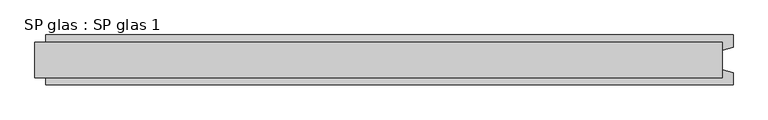
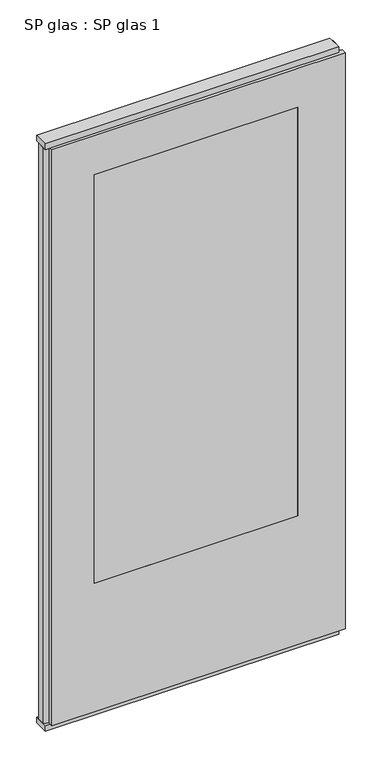
"""IFC4 building model written with IfcOpenShell, lengths in millimetres: plate geometry, SP glas : SP glas 1."""

from ifc_helpers import new_model, si_unit, frame, origin, origin_with_axes, place, context, project, spatial, polyline, outline, extrude, faceted_brep, source, transform, mapped, element, save


def sp_glas_sp_glas_1_cfe92fd9(model_context):
    return source(origin(), model_context, "Body", "SolidModel", [
        extrude(outline(polyline([(620.0, 32.0), (620.0, -32.0), (-620.0, -32.0), (-620.0, 32.0), (620.0, 32.0)])), origin_with_axes(), (0.0, 0.0, 1.0), 25.0),
        extrude(outline(polyline([(620.0, 32.0), (620.0, -32.0), (-620.0, -32.0), (-620.0, 32.0), (620.0, 32.0)])), frame((0.0, 0.0, 2602.0), z_axis=(0.0, 0.0, 1.0), x_axis=(1.0, 0.0, 0.0)), (0.0, 0.0, 1.0), 25.0),
        faceted_brep([(640.0, 45.0, 25.0), (640.0, 22.9993165, 25.0), (620.0, 17.6401049, 25.0), (620.0, -17.6401049, 25.0), (640.0, -22.9993165, 25.0), (640.0, -45.0, 25.0), (-600.0, -45.0, 25.0), (-600.0, -22.9993165, 25.0), (-620.0, -17.6401049, 25.0), (-620.0, 17.6401049, 25.0), (-600.0, 22.9993165, 25.0), (-600.0, 45.0, 25.0), (640.0, 45.0, 2602.0), (640.0, 22.9993165, 2602.0), (620.0, 17.6401049, 2602.0), (620.0, -17.6401049, 2602.0), (640.0, -22.9993165, 2602.0), (640.0, -45.0, 2602.0), (-600.0, -45.0, 2602.0), (-420.0, -45.0, 600.0), (-420.0, -45.0, 2427.0), (440.0, -45.0, 2427.0), (440.0, -45.0, 600.0), (-600.0, -22.9993165, 2602.0), (-620.0, -17.6401049, 2602.0), (-620.0, 17.6401049, 2602.0), (-600.0, 22.9993165, 2602.0), (-600.0, 45.0, 2602.0), (-420.0, 45.0, 2427.0), (-420.0, 45.0, 600.0), (440.0, 45.0, 600.0), (440.0, 45.0, 2427.0)], [[[0, 1, 2, 3, 4, 5, 6, 7, 8, 9, 10, 11]], [[1, 0, 12, 13]], [[2, 1, 13, 14]], [[3, 2, 14, 15]], [[4, 3, 15, 16]], [[5, 4, 16, 17]], [[6, 5, 17, 18], [19, 20, 21, 22]], [[7, 6, 18, 23]], [[8, 7, 23, 24]], [[9, 8, 24, 25]], [[10, 9, 25, 26]], [[11, 10, 26, 27]], [[0, 11, 27, 12], [28, 29, 30, 31]], [[28, 20, 19, 29]], [[30, 22, 21, 31]], [[29, 19, 22, 30]], [[12, 27, 26, 25, 24, 23, 18, 17, 16, 15, 14, 13]], [[20, 28, 31, 21]]]),
        extrude(outline(polyline([(440.0, 45.0), (440.0, -45.0), (-420.0, -45.0), (-420.0, 45.0), (440.0, 45.0)])), frame((0.0, 0.0, 600.0), z_axis=(0.0, 0.0, 1.0), x_axis=(1.0, 0.0, 0.0)), (0.0, 0.0, 1.0), 1827.0),
    ])


if __name__ == "__main__":
    model = new_model("IFC4")
    model_context = context("Model", 3, world=origin())
    ifc_project = project(units=[si_unit("LENGTHUNIT", "METRE", prefix="MILLI")], contexts=[model_context])
    site = spatial("IfcSite", under=ifc_project)
    building = spatial("IfcBuilding", under=site)
    placement = place(None, origin())
    sp_glas_sp_glas_1_shape = sp_glas_sp_glas_1_cfe92fd9(model_context)
    element("IfcPlate", 1, ObjectType="SP glas : SP glas 1", at=placement, inside=building, context=model_context, shape_type="MappedRepresentation", body=[
        mapped(sp_glas_sp_glas_1_shape, transform((0.0, 0.0, 0.0), x_axis=(1.0, 0.0, 0.0), y_axis=(0.0, 1.0, 0.0), z_axis=(0.0, 0.0, 1.0))),
    ])
    save(model, "model.ifc")
